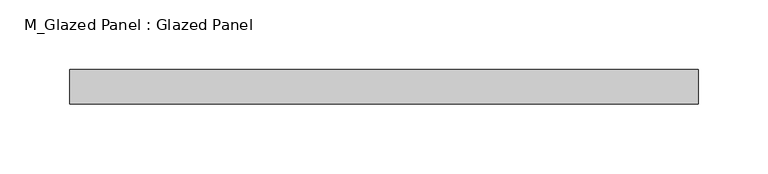
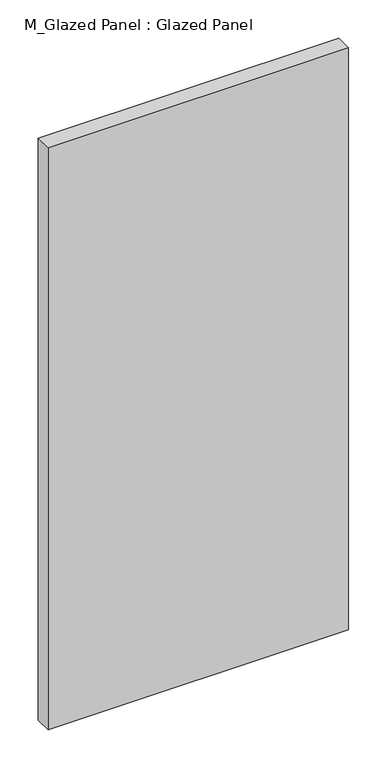
"""IFC4 building model written with IfcOpenShell, lengths in millimetres: plate geometry, M_Glazed Panel : Glazed Panel."""

from ifc_helpers import new_model, si_unit, origin, origin_with_axes, place, context, project, spatial, polyline, outline, extrude, source, transform, mapped, element, save


def m_glazed_panel_glazed_panel_2095e1f7(model_context):
    return source(origin(), model_context, "Body", "SweptSolid", [
        extrude(outline(polyline([(226.1967725, -38.5), (226.1967725, -63.5), (-226.1967725, -63.5), (-226.1967725, -38.5), (226.1967725, -38.5)])), origin_with_axes(), (0.0, 0.0, 1.0), 925.0),
    ])


if __name__ == "__main__":
    model = new_model("IFC4")
    model_context = context("Model", 3, world=origin())
    ifc_project = project(units=[si_unit("LENGTHUNIT", "METRE", prefix="MILLI")], contexts=[model_context])
    site = spatial("IfcSite", under=ifc_project)
    building = spatial("IfcBuilding", under=site)
    placement = place(None, origin())
    m_glazed_panel_glazed_panel_shape = m_glazed_panel_glazed_panel_2095e1f7(model_context)
    element("IfcPlate", 1, ObjectType="M_Glazed Panel : Glazed Panel", at=placement, inside=building, context=model_context, shape_type="MappedRepresentation", body=[
        mapped(m_glazed_panel_glazed_panel_shape, transform((0.0, 0.0, 0.0), x_axis=(1.0, 0.0, 0.0), y_axis=(0.0, 1.0, 0.0), z_axis=(0.0, 0.0, 1.0))),
    ])
    save(model, "model.ifc")
